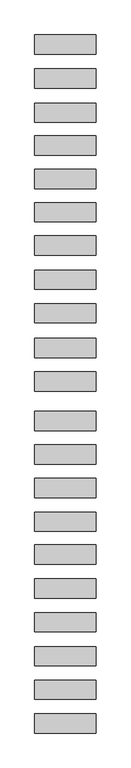
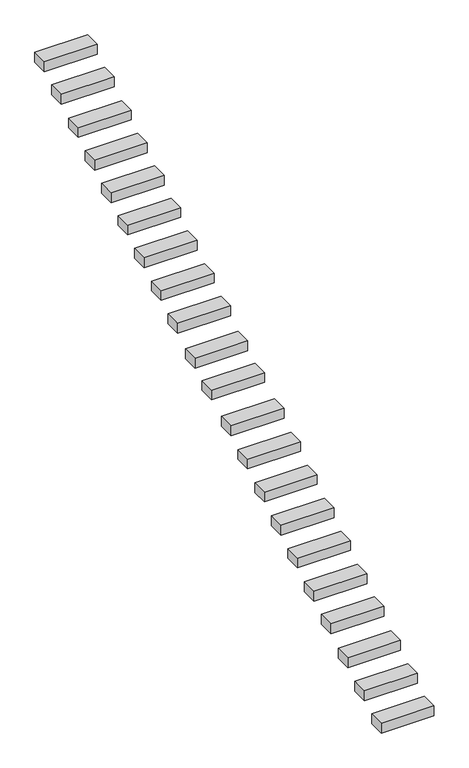
"""IFC4 building model written with IfcOpenShell, lengths in millimetres: proxy geometry."""

from ifc_helpers import new_model, si_unit, frame, origin, place, context, project, spatial, polyline, outline, extrude, source, transform, mapped, element, save


def generic_models_599b58c0(model_context):
    return source(origin(), model_context, "Body", "SweptSolid", [
        extrude(outline(polyline([(-610.0, 3172.4283569), (610.0, 3172.4283569), (610.0, 2792.4283569), (-610.0, 2792.4283569), (-610.0, 3172.4283569)])), frame((0.0, 0.0, 1871.4833491), z_axis=(0.0, 0.0, 1.0), x_axis=(1.0, 0.0, 0.0)), (0.0, 0.0, 1.0), 240.0),
        extrude(outline(polyline([(-610.0, 2497.7378848), (610.0, 2497.7378848), (610.0, 2117.7378848), (-610.0, 2117.7378848), (-610.0, 2497.7378848)])), frame((0.0, 0.0, 1489.0733809), z_axis=(0.0, 0.0, 1.0), x_axis=(1.0, 0.0, 0.0)), (0.0, 0.0, 1.0), 240.0),
        extrude(outline(polyline([(-610.0, 1820.368812), (610.0, 1820.368812), (610.0, 1440.368812), (-610.0, 1440.368812), (-610.0, 1820.368812)])), frame((0.0, 0.0, 1087.6365043), z_axis=(0.0, 0.0, 1.0), x_axis=(1.0, 0.0, 0.0)), (0.0, 0.0, 1.0), 240.0),
        extrude(outline(polyline([(-610.0, 1166.6523966), (610.0, 1166.6523966), (610.0, 786.6523966), (-610.0, 786.6523966), (-610.0, 1166.6523966)])), frame((0.0, 0.0, 683.5783466), z_axis=(0.0, 0.0, 1.0), x_axis=(1.0, 0.0, 0.0)), (0.0, 0.0, 1.0), 240.0),
        extrude(outline(polyline([(-610.0, 502.3920908), (610.0, 502.3920908), (610.0, 122.3920908), (-610.0, 122.3920908), (-610.0, 502.3920908)])), frame((0.0, 0.0, 298.5461498), z_axis=(0.0, 0.0, 1.0), x_axis=(1.0, 0.0, 0.0)), (0.0, 0.0, 1.0), 240.0),
        extrude(outline(polyline([(-610.0, -154.92012), (610.0, -154.92012), (610.0, -534.92012), (-610.0, -534.92012), (-610.0, -154.92012)])), frame((0.0, 0.0, -91.2425373), z_axis=(0.0, 0.0, 1.0), x_axis=(1.0, 0.0, 0.0)), (0.0, 0.0, 1.0), 240.0),
        extrude(outline(polyline([(-610.0, -816.5586779), (610.0, -816.5586779), (610.0, -1196.5586779), (-610.0, -1196.5586779), (-610.0, -816.5586779)])), frame((0.0, 0.0, -491.7617538), z_axis=(0.0, 0.0, 1.0), x_axis=(1.0, 0.0, 0.0)), (0.0, 0.0, 1.0), 240.0),
        extrude(outline(polyline([(-610.0, -1499.1144029), (610.0, -1499.1144029), (610.0, -1879.1144029), (-610.0, -1879.1144029), (-610.0, -1499.1144029)])), frame((0.0, 0.0, -873.6851762), z_axis=(0.0, 0.0, 1.0), x_axis=(1.0, 0.0, 0.0)), (0.0, 0.0, 1.0), 240.0),
        extrude(outline(polyline([(-610.0, -2163.6182136), (610.0, -2163.6182136), (610.0, -2543.6182136), (-610.0, -2543.6182136), (-610.0, -2163.6182136)])), frame((0.0, 0.0, -1273.7173731), z_axis=(0.0, 0.0, 1.0), x_axis=(1.0, 0.0, 0.0)), (0.0, 0.0, 1.0), 240.0),
        extrude(outline(polyline([(-610.0, -2848.7956956), (610.0, -2848.7956956), (610.0, -3228.7956956), (-610.0, -3228.7956956), (-610.0, -2848.7956956)])), frame((0.0, 0.0, -1707.0450014), z_axis=(0.0, 0.0, 1.0), x_axis=(1.0, 0.0, 0.0)), (0.0, 0.0, 1.0), 240.0),
        extrude(outline(polyline([(-610.0, -3514.192661), (610.0, -3514.192661), (610.0, -3894.192661), (-610.0, -3894.192661), (-610.0, -3514.192661)])), frame((0.0, 0.0, -2079.5491698), z_axis=(0.0, 0.0, 1.0), x_axis=(1.0, 0.0, 0.0)), (0.0, 0.0, 1.0), 240.0),
        extrude(outline(polyline([(-610.0, -4297.9030329), (610.0, -4297.9030329), (610.0, -4677.9030329), (-610.0, -4677.9030329), (-610.0, -4297.9030329)])), frame((0.0, 0.0, -2477.9808841), z_axis=(0.0, 0.0, 1.0), x_axis=(1.0, 0.0, 0.0)), (0.0, 0.0, 1.0), 240.0),
        extrude(outline(polyline([(-610.0, -4962.6579069), (610.0, -4962.6579069), (610.0, -5342.6579069), (-610.0, -5342.6579069), (-610.0, -4962.6579069)])), frame((0.0, 0.0, -2884.3955482), z_axis=(0.0, 0.0, 1.0), x_axis=(1.0, 0.0, 0.0)), (0.0, 0.0, 1.0), 240.0),
        extrude(outline(polyline([(-610.0, -5628.4213142), (610.0, -5628.4213142), (610.0, -6008.4213142), (-610.0, -6008.4213142), (-610.0, -5628.4213142)])), frame((0.0, 0.0, -3288.6170324), z_axis=(0.0, 0.0, 1.0), x_axis=(1.0, 0.0, 0.0)), (0.0, 0.0, 1.0), 240.0),
        extrude(outline(polyline([(-610.0, -6299.5796107), (610.0, -6299.5796107), (610.0, -6679.5796107), (-610.0, -6679.5796107), (-610.0, -6299.5796107)])), frame((0.0, 0.0, -3692.0487468), z_axis=(0.0, 0.0, 1.0), x_axis=(1.0, 0.0, 0.0)), (0.0, 0.0, 1.0), 240.0),
        extrude(outline(polyline([(-610.0, -6948.1498355), (610.0, -6948.1498355), (610.0, -7328.1498355), (-610.0, -7328.1498355), (-610.0, -6948.1498355)])), frame((0.0, 0.0, -4095.4804611), z_axis=(0.0, 0.0, 1.0), x_axis=(1.0, 0.0, 0.0)), (0.0, 0.0, 1.0), 240.0),
        extrude(outline(polyline([(-610.0, -7621.1064345), (610.0, -7621.1064345), (610.0, -8001.1064345), (-610.0, -8001.1064345), (-610.0, -7621.1064345)])), frame((0.0, 0.0, -4498.6934202), z_axis=(0.0, 0.0, 1.0), x_axis=(1.0, 0.0, 0.0)), (0.0, 0.0, 1.0), 240.0),
        extrude(outline(polyline([(-610.0, -8292.6596018), (610.0, -8292.6596018), (610.0, -8672.6596018), (-610.0, -8672.6596018), (-610.0, -8292.6596018)])), frame((0.0, 0.0, -4887.9149044), z_axis=(0.0, 0.0, 1.0), x_axis=(1.0, 0.0, 0.0)), (0.0, 0.0, 1.0), 240.0),
        extrude(outline(polyline([(-610.0, -8965.2213116), (610.0, -8965.2213116), (610.0, -9345.2213116), (-610.0, -9345.2213116), (-610.0, -8965.2213116)])), frame((0.0, 0.0, -5304.1534388), z_axis=(0.0, 0.0, 1.0), x_axis=(1.0, 0.0, 0.0)), (0.0, 0.0, 1.0), 240.0),
        extrude(outline(polyline([(-610.0, -9633.7915549), (610.0, -9633.7915549), (610.0, -10013.7915549), (-610.0, -10013.7915549), (-610.0, -9633.7915549)])), frame((0.0, 0.0, -5705.7868582), z_axis=(0.0, 0.0, 1.0), x_axis=(1.0, 0.0, 0.0)), (0.0, 0.0, 1.0), 240.0),
        extrude(outline(polyline([(-610.0, -10301.3532463), (610.0, -10301.3532463), (610.0, -10681.3532463), (-610.0, -10681.3532463), (-610.0, -10301.3532463)])), frame((0.0, 0.0, -6092.6665472), z_axis=(0.0, 0.0, 1.0), x_axis=(1.0, 0.0, 0.0)), (0.0, 0.0, 1.0), 240.0),
    ])


if __name__ == "__main__":
    model = new_model("IFC4")
    model_context = context("Model", 3, world=origin())
    ifc_project = project(units=[si_unit("LENGTHUNIT", "METRE", prefix="MILLI")], contexts=[model_context])
    site = spatial("IfcSite", under=ifc_project)
    building = spatial("IfcBuilding", under=site)
    placement = place(None, origin())
    generic_models_shape = generic_models_599b58c0(model_context)
    element("IfcBuildingElementProxy", 1, Name="Generic Models", at=placement, inside=building, context=model_context, shape_type="MappedRepresentation", body=[
        mapped(generic_models_shape, transform((0.0, 0.0, 0.0), x_axis=(1.0, 0.0, 0.0), y_axis=(0.0, 1.0, 0.0), z_axis=(0.0, 0.0, 1.0))),
    ])
    save(model, "model.ifc")
